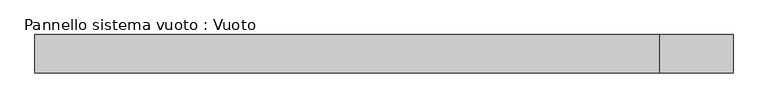
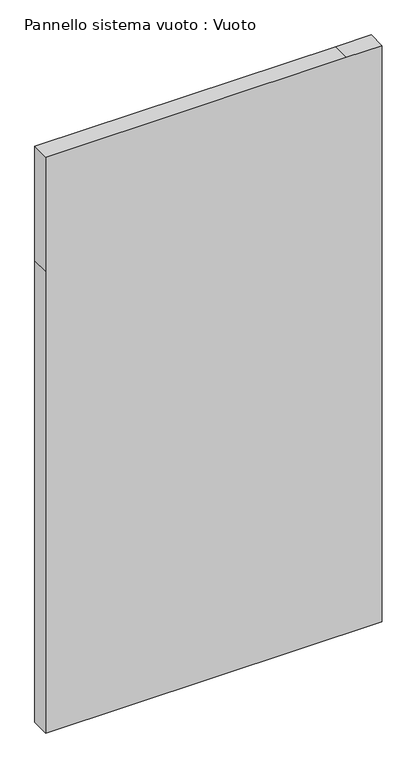
"""IFC4 building model written with IfcOpenShell, lengths in millimetres: plate geometry, Pannello sistema vuoto : Vuoto."""

import ifcopenshell
import ifcopenshell.guid

model = None  # the IFC model being written
_history = None  # IfcOwnerHistory: only IFC2X3 demands one
_inside = {}  # id of a spatial element -> (the spatial element, [elements in it])
_under = {}  # id of a project, library or spatial element -> (it, [spatial elements below it])
_declared = {}  # id of a project -> (the project, [libraries it declares])
_typed = {}  # id of a type object -> (the type object, [elements of that type])
_made_of = {}  # id of a material, layer set ... -> (it, [elements and type objects made of it])


def new_model(schema):
    """Start an empty IFC model of exactly this schema.

    Asked for "IFC4X3", IfcOpenShell would pick the latest addendum, in which some entities
    have other attributes; the version numbers below select the first issue.
    IFC2X3 requires an IfcOwnerHistory on every rooted entity: one is made here for all.
    """
    global model, _history
    if schema == "IFC4X3":
        model = ifcopenshell.file(schema_version=(4, 3, 0, 0))
    else:
        model = ifcopenshell.file(schema=schema)
    _inside.clear()
    _under.clear()
    _declared.clear()
    _typed.clear()
    _made_of.clear()
    _history = None
    if model.schema == "IFC2X3":
        org = make("IfcOrganization", Name="unknown")
        user = make(
            "IfcPersonAndOrganization",
            ThePerson=make("IfcPerson", FamilyName="unknown"),
            TheOrganization=org,
        )
        app = make(
            "IfcApplication",
            ApplicationDeveloper=org,
            Version="unknown",
            ApplicationFullName="unknown",
            ApplicationIdentifier="unknown",
        )
        _history = make(
            "IfcOwnerHistory",
            OwningUser=user,
            OwningApplication=app,
            ChangeAction="ADDED",
            CreationDate=0,
        )
    return model


def make(cls, **values):
    """One entity of the class cls with the attributes given. An attribute that is None is left unset."""
    return model.create_entity(
        cls, **{name: value for name, value in values.items() if value is not None}
    )


def rooted(cls, **values):
    """An entity with a GlobalId (a new one), such as an element, a storey or a relation."""
    return make(cls, GlobalId=ifcopenshell.guid.new(), OwnerHistory=_history, **values)


def si_unit(unit_type, name, prefix=None):
    """IfcSIUnit, for example si_unit("LENGTHUNIT", "METRE", prefix="MILLI")."""
    return make("IfcSIUnit", UnitType=unit_type, Prefix=prefix, Name=name)


def assignment(units):
    """IfcUnitAssignment: the units of a project."""
    return None if units is None else make("IfcUnitAssignment", Units=units)


def point(xyz):
    """IfcCartesianPoint."""
    return None if xyz is None else make("IfcCartesianPoint", Coordinates=xyz)


def direction(xyz):
    """IfcDirection."""
    return None if xyz is None else make("IfcDirection", DirectionRatios=xyz)


def frame(location, z_axis=None, x_axis=None):
    """IfcAxis2Placement3D, a coordinate frame: its origin and axes. An axis left out is left unset."""
    return make(
        "IfcAxis2Placement3D",
        Location=point(location),
        Axis=direction(z_axis),
        RefDirection=direction(x_axis),
    )


def origin():
    """The frame at (0, 0, 0) with its axes left unset."""
    return frame((0.0, 0.0, 0.0))


def place(relative_to, where):
    """IfcLocalPlacement: puts the frame where relative to a parent placement (None: the world)."""
    return make(
        "IfcLocalPlacement", PlacementRelTo=relative_to, RelativePlacement=where
    )


def context(
    kind, dimensions, precision=None, world=None, true_north=None, identifier=None
):
    """IfcGeometricRepresentationContext, for example the 3D "Model" context."""
    return make(
        "IfcGeometricRepresentationContext",
        ContextIdentifier=identifier,
        ContextType=kind,
        CoordinateSpaceDimension=dimensions,
        Precision=precision,
        WorldCoordinateSystem=world,
        TrueNorth=true_north,
    )


def project(units=None, contexts=None):
    """IfcProject with its units and contexts."""
    return rooted(
        "IfcProject",
        Name="project",
        RepresentationContexts=contexts,
        UnitsInContext=assignment(units),
    )


def spatial(cls, under=None, at=None, **own):
    """A site, building, storey or space (cls), placed at a placement, below another one or the project."""
    s = rooted(cls, ObjectPlacement=at, **own)
    if under is not None:
        _under.setdefault(under.id(), (under, []))[1].append(s)
    return s


def polyline(points):
    """IfcPolyline through the points."""
    return make("IfcPolyline", Points=[point(p) for p in points])


def outline(outer, holes=None, kind="AREA"):
    """IfcArbitraryClosedProfileDef: a profile drawn as a closed curve; with holes, ...WithVoids."""
    if holes is None:
        return make("IfcArbitraryClosedProfileDef", ProfileType=kind, OuterCurve=outer)
    return make(
        "IfcArbitraryProfileDefWithVoids",
        ProfileType=kind,
        OuterCurve=outer,
        InnerCurves=holes,
    )


def extrude(swept, where, along, depth):
    """IfcExtrudedAreaSolid: the profile swept, set in the frame where, extruded along a direction by depth."""
    return make(
        "IfcExtrudedAreaSolid",
        SweptArea=swept,
        Position=where,
        ExtrudedDirection=direction(along),
        Depth=depth,
    )


def shape(context_of_items, identifier, shape_type, items):
    """IfcShapeRepresentation: the items that make up one representation, for example the "Body"."""
    return make(
        "IfcShapeRepresentation",
        ContextOfItems=context_of_items,
        RepresentationIdentifier=identifier,
        RepresentationType=shape_type,
        Items=items,
    )


def source(mapping_origin, context_of_items, identifier, shape_type, items):
    """IfcRepresentationMap: a shape defined once, which mapped items show again and again."""
    return make(
        "IfcRepresentationMap",
        MappingOrigin=mapping_origin,
        MappedRepresentation=shape(context_of_items, identifier, shape_type, items),
    )


def transform(
    local_origin,
    x_axis=None,
    y_axis=None,
    z_axis=None,
    scale=None,
    scale2=None,
    scale3=None,
    uniform=True,
):
    """IfcCartesianTransformationOperator3D, or its non-uniform kind. x_axis, y_axis, z_axis: its Axis1, 2, 3."""
    if uniform:
        return make(
            "IfcCartesianTransformationOperator3D",
            Axis1=direction(x_axis),
            Axis2=direction(y_axis),
            LocalOrigin=point(local_origin),
            Scale=scale,
            Axis3=direction(z_axis),
        )
    return make(
        "IfcCartesianTransformationOperator3DnonUniform",
        Axis1=direction(x_axis),
        Axis2=direction(y_axis),
        LocalOrigin=point(local_origin),
        Scale=scale,
        Axis3=direction(z_axis),
        Scale2=scale2,
        Scale3=scale3,
    )


def mapped(mapping_source, mapping_target):
    """IfcMappedItem: shows the shape of a source again, moved by a transform."""
    return make(
        "IfcMappedItem", MappingSource=mapping_source, MappingTarget=mapping_target
    )


def made_of(thing, what):
    """Note that an element or type object is made of a material, layer set ...; save() writes the relation."""
    if what is not None:
        _made_of.setdefault(what.id(), (what, []))[1].append(thing)
    return thing


def element(
    cls,
    number,
    at=None,
    inside=None,
    cuts=None,
    type_object=None,
    material=None,
    context=None,
    identifier="Body",
    shape_type=None,
    held_by="IfcProductDefinitionShape",
    body=None,
    shapes=None,
    **own,
):
    """One element of the class cls, such as IfcWall. Its Tag is "e" and its number.

    at: its placement. inside: the storey or other place that contains it. cuts: it is an
    opening in that element (IfcRelVoidsElement). A single representation is given by context,
    identifier, shape_type and body (its items); several are given by shapes. held_by: the class
    of the entity that holds the representations. save() writes the other relations.
    """
    e = rooted(cls, Tag="e%d" % number, ObjectPlacement=at, **own)
    if body is not None:
        shapes = [shape(context, identifier, shape_type, body)]
    if shapes is not None:
        e.Representation = make(held_by, Representations=shapes)
    if inside is not None:
        _inside.setdefault(inside.id(), (inside, []))[1].append(e)
    if cuts is not None:
        rooted(
            "IfcRelVoidsElement", RelatingBuildingElement=cuts, RelatedOpeningElement=e
        )
    if type_object is not None:
        _typed.setdefault(type_object.id(), (type_object, []))[1].append(e)
    return made_of(e, material)


def aggregate(whole, parts):
    """IfcRelAggregates: a whole, such as a stair, and the parts it consists of."""
    return rooted("IfcRelAggregates", RelatingObject=whole, RelatedObjects=parts)


def save(model, path):
    """Write the relations noted so far, then the file.

    IfcRelAggregates (storeys below a building ...), IfcRelContainedInSpatialStructure (elements
    in a storey), IfcRelDefinesByType, IfcRelAssociatesMaterial and IfcRelDeclares: one each for
    every whole, place, type object, material and project.
    """
    for whole, parts in _under.values():
        aggregate(whole, parts)
    for where, things in _inside.values():
        rooted(
            "IfcRelContainedInSpatialStructure",
            RelatedElements=things,
            RelatingStructure=where,
        )
    for kind, things in _typed.values():
        rooted("IfcRelDefinesByType", RelatedObjects=things, RelatingType=kind)
    for what, things in _made_of.values():
        rooted("IfcRelAssociatesMaterial", RelatedObjects=things, RelatingMaterial=what)
    for by, libraries in _declared.values():
        rooted("IfcRelDeclares", RelatingContext=by, RelatedDefinitions=libraries)
    model.write(path)


def pannello_sistema_vuoto_vuoto_8644b455(model_context):
    return source(origin(), model_context, "Body", "SweptSolid", [
        extrude(outline(polyline([(0.0, -910.0), (0.0, 910.0), (3291.7196154, 910.0), (3291.7196154, 718.7281825), (3291.7196154, -910.0), (2639.4056863, -910.0), (0.0, -910.0)])), frame((0.0, 50.0, 0.0), z_axis=(0.0, 1.0, 0.0), x_axis=(0.0, 0.0, 1.0)), (0.0, 0.0, 1.0), 100.0),
    ])


if __name__ == "__main__":
    model = new_model("IFC4")
    model_context = context("Model", 3, world=origin())
    ifc_project = project(units=[si_unit("LENGTHUNIT", "METRE", prefix="MILLI")], contexts=[model_context])
    site = spatial("IfcSite", under=ifc_project)
    building = spatial("IfcBuilding", under=site)
    placement = place(None, origin())
    pannello_sistema_vuoto_vuoto_shape = pannello_sistema_vuoto_vuoto_8644b455(model_context)
    element("IfcPlate", 1, ObjectType="Pannello sistema vuoto : Vuoto", at=placement, inside=building, context=model_context, shape_type="MappedRepresentation", body=[
        mapped(pannello_sistema_vuoto_vuoto_shape, transform((0.0, 0.0, 0.0), x_axis=(1.0, 0.0, 0.0), y_axis=(0.0, 1.0, 0.0), z_axis=(0.0, 0.0, 1.0))),
    ])
    save(model, "model.ifc")
